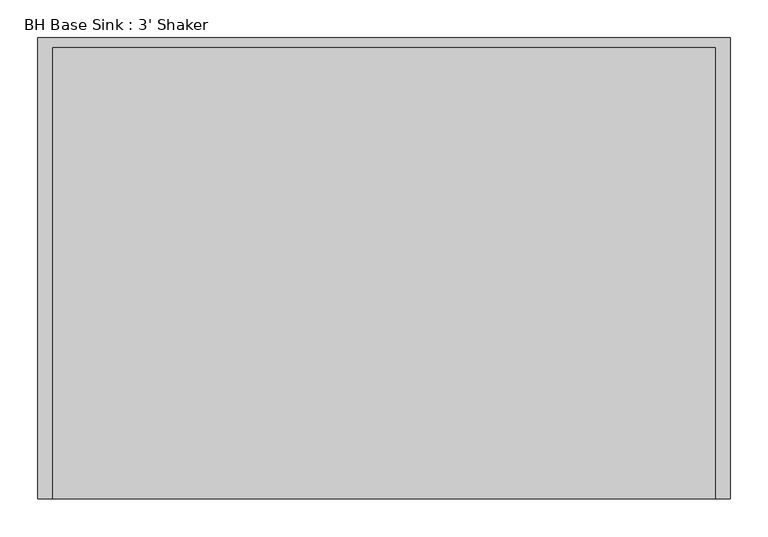
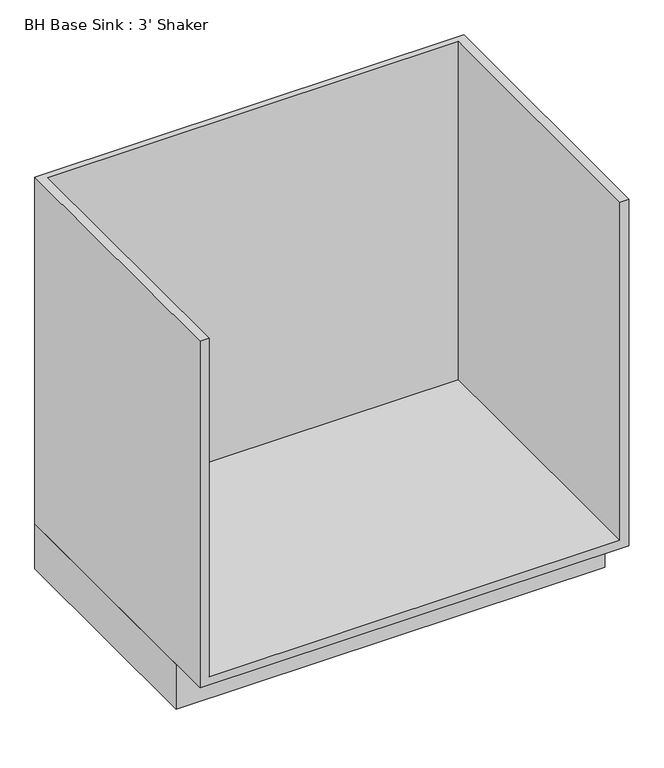
"""IFC4 building model written with IfcOpenShell, lengths in millimetres: furniture geometry, BH Base Sink : 3' Shaker."""

from ifc_helpers import new_model, si_unit, origin, origin_with_axes, place, context, project, spatial, polyline, outline, extrude, faceted_brep, source, transform, mapped, element, save


def bh_base_sink_3_shaker_3048d80f(model_context):
    return source(origin(), model_context, "Body", "SolidModel", [
        faceted_brep([(-457.2, -609.6, 882.65), (-457.2, -609.6, 101.6), (457.2, -609.6, 101.6), (457.2, -609.6, 882.65), (438.15, -609.6, 882.65), (438.15, -609.6, 120.65), (-438.15, -609.6, 120.65), (-438.15, -609.6, 882.65), (457.2, 0.0, 882.65), (457.2, 0.0, 101.6), (-457.2, 0.0, 101.6), (-457.2, 0.0, 882.65), (-457.2, -12.7, 101.6), (457.2, -12.7, 101.6), (-438.15, -12.7, 882.65), (438.15, -12.7, 882.65), (438.15, -12.7, 120.65), (-438.15, -12.7, 120.65)], [[[0, 1, 2, 3, 4, 5, 6, 7]], [[8, 9, 10, 11]], [[1, 0, 11, 10, 12]], [[2, 1, 12, 10, 9, 13]], [[8, 3, 2, 13, 9]], [[0, 7, 14, 15, 4, 3, 8, 11]], [[5, 4, 15, 16]], [[6, 5, 16, 17]], [[7, 6, 17, 14]], [[15, 14, 17, 16]]]),
        extrude(outline(polyline([(-457.2, 0.0), (457.2, 0.0), (457.2, -520.7), (-457.2, -520.7), (-457.2, 0.0)])), origin_with_axes(), (0.0, 0.0, 1.0), 101.6),
    ])


if __name__ == "__main__":
    model = new_model("IFC4")
    model_context = context("Model", 3, world=origin())
    ifc_project = project(units=[si_unit("LENGTHUNIT", "METRE", prefix="MILLI")], contexts=[model_context])
    site = spatial("IfcSite", under=ifc_project)
    building = spatial("IfcBuilding", under=site)
    placement = place(None, origin())
    bh_base_sink_3_shaker_shape = bh_base_sink_3_shaker_3048d80f(model_context)
    element("IfcFurniture", 1, ObjectType="BH Base Sink : 3' Shaker", at=placement, inside=building, context=model_context, shape_type="MappedRepresentation", body=[
        mapped(bh_base_sink_3_shaker_shape, transform((0.0, 0.0, 0.0), x_axis=(1.0, 0.0, 0.0), y_axis=(0.0, 1.0, 0.0), z_axis=(0.0, 0.0, 1.0))),
    ])
    save(model, "model.ifc")
